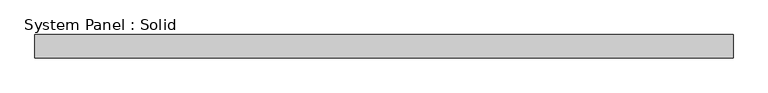
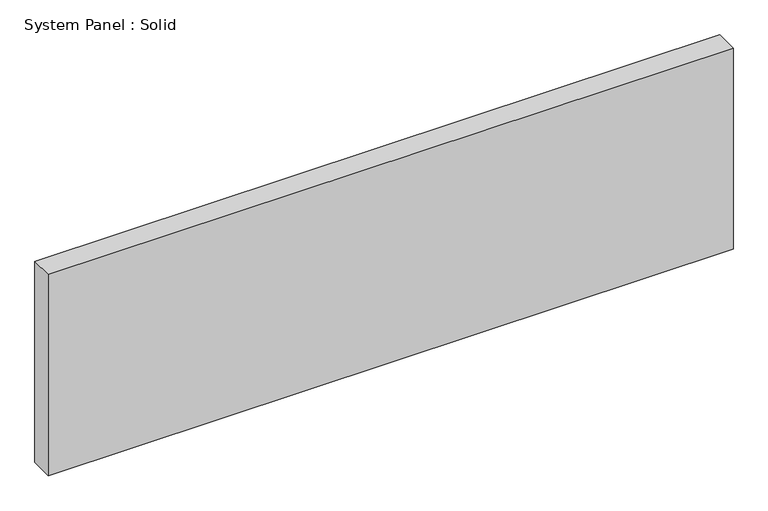
"""IFC4 building model written with IfcOpenShell, lengths in millimetres: plate geometry, System Panel : Solid."""

from ifc_helpers import new_model, si_unit, origin, origin_with_axes, place, context, project, spatial, polyline, outline, extrude, source, transform, mapped, element, save


def system_panel_solid_64aaed8c(model_context):
    return source(origin(), model_context, "Body", "SweptSolid", [
        extrude(outline(polyline([(895.5, -10.5), (-895.5, -10.5), (-895.5, 49.5), (895.5, 49.5), (895.5, -10.5)])), origin_with_axes(), (0.0, 0.0, 1.0), 556.2568418),
    ])


if __name__ == "__main__":
    model = new_model("IFC4")
    model_context = context("Model", 3, world=origin())
    ifc_project = project(units=[si_unit("LENGTHUNIT", "METRE", prefix="MILLI")], contexts=[model_context])
    site = spatial("IfcSite", under=ifc_project)
    building = spatial("IfcBuilding", under=site)
    placement = place(None, origin())
    system_panel_solid_shape = system_panel_solid_64aaed8c(model_context)
    element("IfcPlate", 1, ObjectType="System Panel : Solid", at=placement, inside=building, context=model_context, shape_type="MappedRepresentation", body=[
        mapped(system_panel_solid_shape, transform((0.0, 0.0, 0.0), x_axis=(1.0, 0.0, 0.0), y_axis=(0.0, 1.0, 0.0), z_axis=(0.0, 0.0, 1.0))),
    ])
    save(model, "model.ifc")
